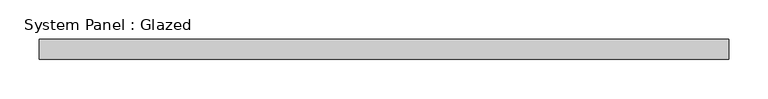
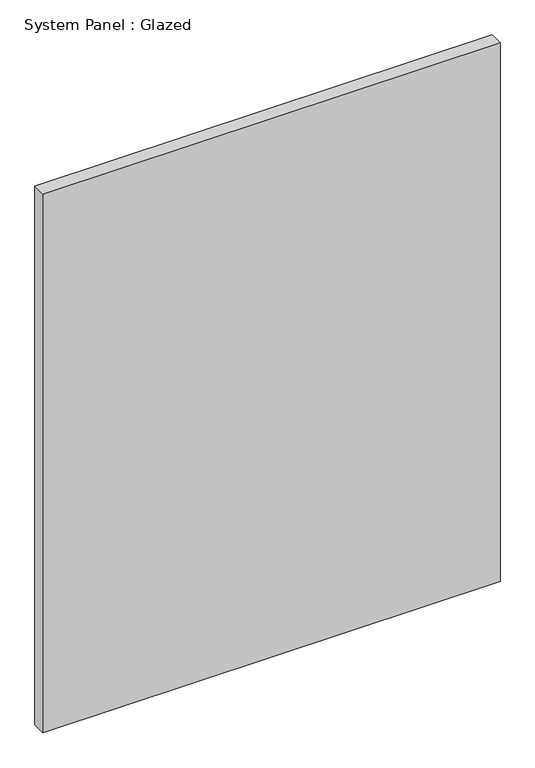
"""IFC4 building model written with IfcOpenShell, lengths in millimetres: plate geometry, System Panel : Glazed."""

from ifc_helpers import new_model, si_unit, origin, origin_with_axes, place, context, project, spatial, polyline, outline, extrude, source, transform, mapped, element, save


def system_panel_glazed_11f184ce(model_context):
    return source(origin(), model_context, "Body", "SweptSolid", [
        extrude(outline(polyline([(438.3582695, -12.7), (-438.3582695, -12.7), (-438.3582695, 12.7), (438.3582695, 12.7), (438.3582695, -12.7)])), origin_with_axes(), (0.0, 0.0, 1.0), 1092.2),
    ])


if __name__ == "__main__":
    model = new_model("IFC4")
    model_context = context("Model", 3, world=origin())
    ifc_project = project(units=[si_unit("LENGTHUNIT", "METRE", prefix="MILLI")], contexts=[model_context])
    site = spatial("IfcSite", under=ifc_project)
    building = spatial("IfcBuilding", under=site)
    placement = place(None, origin())
    system_panel_glazed_shape = system_panel_glazed_11f184ce(model_context)
    element("IfcPlate", 1, ObjectType="System Panel : Glazed", at=placement, inside=building, context=model_context, shape_type="MappedRepresentation", body=[
        mapped(system_panel_glazed_shape, transform((0.0, 0.0, 0.0), x_axis=(1.0, 0.0, 0.0), y_axis=(0.0, 1.0, 0.0), z_axis=(0.0, 0.0, 1.0))),
    ])
    save(model, "model.ifc")
